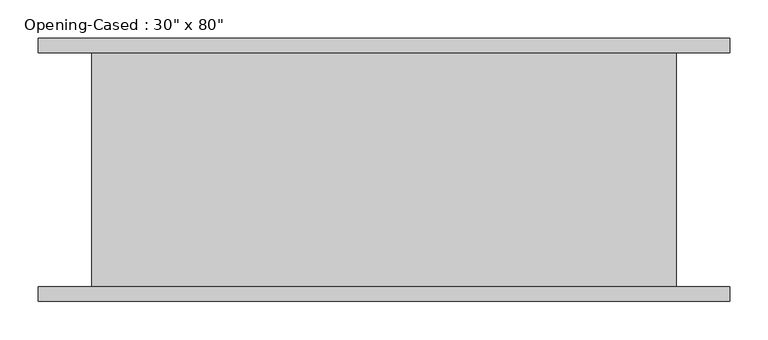
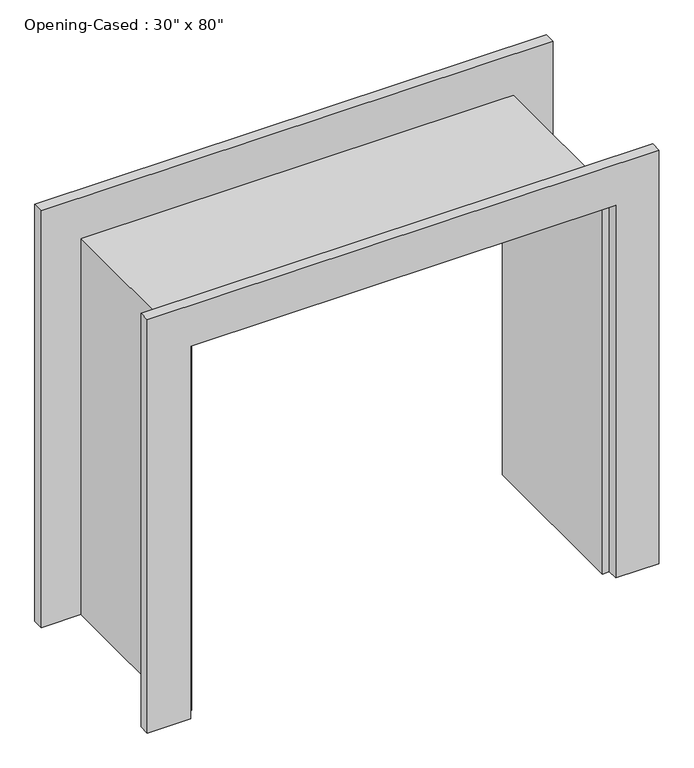
"""IFC4 building model written with IfcOpenShell, lengths in millimetres: proxy geometry."""

import ifcopenshell
import ifcopenshell.guid

model = None  # the IFC model being written
_history = None  # IfcOwnerHistory: only IFC2X3 demands one
_inside = {}  # id of a spatial element -> (the spatial element, [elements in it])
_under = {}  # id of a project, library or spatial element -> (it, [spatial elements below it])
_declared = {}  # id of a project -> (the project, [libraries it declares])
_typed = {}  # id of a type object -> (the type object, [elements of that type])
_made_of = {}  # id of a material, layer set ... -> (it, [elements and type objects made of it])


def new_model(schema):
    """Start an empty IFC model of exactly this schema.

    Asked for "IFC4X3", IfcOpenShell would pick the latest addendum, in which some entities
    have other attributes; the version numbers below select the first issue.
    IFC2X3 requires an IfcOwnerHistory on every rooted entity: one is made here for all.
    """
    global model, _history
    if schema == "IFC4X3":
        model = ifcopenshell.file(schema_version=(4, 3, 0, 0))
    else:
        model = ifcopenshell.file(schema=schema)
    _inside.clear()
    _under.clear()
    _declared.clear()
    _typed.clear()
    _made_of.clear()
    _history = None
    if model.schema == "IFC2X3":
        org = make("IfcOrganization", Name="unknown")
        user = make(
            "IfcPersonAndOrganization",
            ThePerson=make("IfcPerson", FamilyName="unknown"),
            TheOrganization=org,
        )
        app = make(
            "IfcApplication",
            ApplicationDeveloper=org,
            Version="unknown",
            ApplicationFullName="unknown",
            ApplicationIdentifier="unknown",
        )
        _history = make(
            "IfcOwnerHistory",
            OwningUser=user,
            OwningApplication=app,
            ChangeAction="ADDED",
            CreationDate=0,
        )
    return model


def make(cls, **values):
    """One entity of the class cls with the attributes given. An attribute that is None is left unset."""
    return model.create_entity(
        cls, **{name: value for name, value in values.items() if value is not None}
    )


def rooted(cls, **values):
    """An entity with a GlobalId (a new one), such as an element, a storey or a relation."""
    return make(cls, GlobalId=ifcopenshell.guid.new(), OwnerHistory=_history, **values)


def si_unit(unit_type, name, prefix=None):
    """IfcSIUnit, for example si_unit("LENGTHUNIT", "METRE", prefix="MILLI")."""
    return make("IfcSIUnit", UnitType=unit_type, Prefix=prefix, Name=name)


def assignment(units):
    """IfcUnitAssignment: the units of a project."""
    return None if units is None else make("IfcUnitAssignment", Units=units)


def point(xyz):
    """IfcCartesianPoint."""
    return None if xyz is None else make("IfcCartesianPoint", Coordinates=xyz)


def direction(xyz):
    """IfcDirection."""
    return None if xyz is None else make("IfcDirection", DirectionRatios=xyz)


def frame(location, z_axis=None, x_axis=None):
    """IfcAxis2Placement3D, a coordinate frame: its origin and axes. An axis left out is left unset."""
    return make(
        "IfcAxis2Placement3D",
        Location=point(location),
        Axis=direction(z_axis),
        RefDirection=direction(x_axis),
    )


def origin():
    """The frame at (0, 0, 0) with its axes left unset."""
    return frame((0.0, 0.0, 0.0))


def place(relative_to, where):
    """IfcLocalPlacement: puts the frame where relative to a parent placement (None: the world)."""
    return make(
        "IfcLocalPlacement", PlacementRelTo=relative_to, RelativePlacement=where
    )


def context(
    kind, dimensions, precision=None, world=None, true_north=None, identifier=None
):
    """IfcGeometricRepresentationContext, for example the 3D "Model" context."""
    return make(
        "IfcGeometricRepresentationContext",
        ContextIdentifier=identifier,
        ContextType=kind,
        CoordinateSpaceDimension=dimensions,
        Precision=precision,
        WorldCoordinateSystem=world,
        TrueNorth=true_north,
    )


def project(units=None, contexts=None):
    """IfcProject with its units and contexts."""
    return rooted(
        "IfcProject",
        Name="project",
        RepresentationContexts=contexts,
        UnitsInContext=assignment(units),
    )


def spatial(cls, under=None, at=None, **own):
    """A site, building, storey or space (cls), placed at a placement, below another one or the project."""
    s = rooted(cls, ObjectPlacement=at, **own)
    if under is not None:
        _under.setdefault(under.id(), (under, []))[1].append(s)
    return s


def polyline(points):
    """IfcPolyline through the points."""
    return make("IfcPolyline", Points=[point(p) for p in points])


def outline(outer, holes=None, kind="AREA"):
    """IfcArbitraryClosedProfileDef: a profile drawn as a closed curve; with holes, ...WithVoids."""
    if holes is None:
        return make("IfcArbitraryClosedProfileDef", ProfileType=kind, OuterCurve=outer)
    return make(
        "IfcArbitraryProfileDefWithVoids",
        ProfileType=kind,
        OuterCurve=outer,
        InnerCurves=holes,
    )


def extrude(swept, where, along, depth):
    """IfcExtrudedAreaSolid: the profile swept, set in the frame where, extruded along a direction by depth."""
    return make(
        "IfcExtrudedAreaSolid",
        SweptArea=swept,
        Position=where,
        ExtrudedDirection=direction(along),
        Depth=depth,
    )


def faces_of(points, faces, orient=None, outer=None):
    """IfcFace entities. A face is a list of loops; a loop is a list of indices into points, from 0.

    orient and outer hold one flag for each loop. By default every Orientation is true, the
    first loop of a face is its IfcFaceOuterBound and the others are IfcFaceBound.
    """
    made = []
    for i, loops in enumerate(faces):
        bounds = []
        for j, loop in enumerate(loops):
            is_outer = j == 0 if outer is None else outer[i][j]
            bounds.append(
                make(
                    "IfcFaceOuterBound" if is_outer else "IfcFaceBound",
                    Bound=make("IfcPolyLoop", Polygon=[points[k] for k in loop]),
                    Orientation=True if orient is None else orient[i][j],
                )
            )
        made.append(make("IfcFace", Bounds=bounds))
    return made


def faceted_brep(points, faces, orient=None, outer=None, voids=None):
    """IfcFacetedBrep: a solid bounded by flat faces; with voids (closed shells), ...WithVoids."""
    shared = [point(p) for p in points]
    hull = make("IfcClosedShell", CfsFaces=faces_of(shared, faces, orient, outer))
    if voids is None:
        return make("IfcFacetedBrep", Outer=hull)
    return make(
        "IfcFacetedBrepWithVoids",
        Outer=hull,
        Voids=[
            make(cls, CfsFaces=faces_of(shared, fs, o, b)) for cls, fs, o, b in voids
        ],
    )


def shape(context_of_items, identifier, shape_type, items):
    """IfcShapeRepresentation: the items that make up one representation, for example the "Body"."""
    return make(
        "IfcShapeRepresentation",
        ContextOfItems=context_of_items,
        RepresentationIdentifier=identifier,
        RepresentationType=shape_type,
        Items=items,
    )


def source(mapping_origin, context_of_items, identifier, shape_type, items):
    """IfcRepresentationMap: a shape defined once, which mapped items show again and again."""
    return make(
        "IfcRepresentationMap",
        MappingOrigin=mapping_origin,
        MappedRepresentation=shape(context_of_items, identifier, shape_type, items),
    )


def transform(
    local_origin,
    x_axis=None,
    y_axis=None,
    z_axis=None,
    scale=None,
    scale2=None,
    scale3=None,
    uniform=True,
):
    """IfcCartesianTransformationOperator3D, or its non-uniform kind. x_axis, y_axis, z_axis: its Axis1, 2, 3."""
    if uniform:
        return make(
            "IfcCartesianTransformationOperator3D",
            Axis1=direction(x_axis),
            Axis2=direction(y_axis),
            LocalOrigin=point(local_origin),
            Scale=scale,
            Axis3=direction(z_axis),
        )
    return make(
        "IfcCartesianTransformationOperator3DnonUniform",
        Axis1=direction(x_axis),
        Axis2=direction(y_axis),
        LocalOrigin=point(local_origin),
        Scale=scale,
        Axis3=direction(z_axis),
        Scale2=scale2,
        Scale3=scale3,
    )


def mapped(mapping_source, mapping_target):
    """IfcMappedItem: shows the shape of a source again, moved by a transform."""
    return make(
        "IfcMappedItem", MappingSource=mapping_source, MappingTarget=mapping_target
    )


def made_of(thing, what):
    """Note that an element or type object is made of a material, layer set ...; save() writes the relation."""
    if what is not None:
        _made_of.setdefault(what.id(), (what, []))[1].append(thing)
    return thing


def element(
    cls,
    number,
    at=None,
    inside=None,
    cuts=None,
    type_object=None,
    material=None,
    context=None,
    identifier="Body",
    shape_type=None,
    held_by="IfcProductDefinitionShape",
    body=None,
    shapes=None,
    **own,
):
    """One element of the class cls, such as IfcWall. Its Tag is "e" and its number.

    at: its placement. inside: the storey or other place that contains it. cuts: it is an
    opening in that element (IfcRelVoidsElement). A single representation is given by context,
    identifier, shape_type and body (its items); several are given by shapes. held_by: the class
    of the entity that holds the representations. save() writes the other relations.
    """
    e = rooted(cls, Tag="e%d" % number, ObjectPlacement=at, **own)
    if body is not None:
        shapes = [shape(context, identifier, shape_type, body)]
    if shapes is not None:
        e.Representation = make(held_by, Representations=shapes)
    if inside is not None:
        _inside.setdefault(inside.id(), (inside, []))[1].append(e)
    if cuts is not None:
        rooted(
            "IfcRelVoidsElement", RelatingBuildingElement=cuts, RelatedOpeningElement=e
        )
    if type_object is not None:
        _typed.setdefault(type_object.id(), (type_object, []))[1].append(e)
    return made_of(e, material)


def aggregate(whole, parts):
    """IfcRelAggregates: a whole, such as a stair, and the parts it consists of."""
    return rooted("IfcRelAggregates", RelatingObject=whole, RelatedObjects=parts)


def save(model, path):
    """Write the relations noted so far, then the file.

    IfcRelAggregates (storeys below a building ...), IfcRelContainedInSpatialStructure (elements
    in a storey), IfcRelDefinesByType, IfcRelAssociatesMaterial and IfcRelDeclares: one each for
    every whole, place, type object, material and project.
    """
    for whole, parts in _under.values():
        aggregate(whole, parts)
    for where, things in _inside.values():
        rooted(
            "IfcRelContainedInSpatialStructure",
            RelatedElements=things,
            RelatingStructure=where,
        )
    for kind, things in _typed.values():
        rooted("IfcRelDefinesByType", RelatedObjects=things, RelatingType=kind)
    for what, things in _made_of.values():
        rooted("IfcRelAssociatesMaterial", RelatedObjects=things, RelatingMaterial=what)
    for by, libraries in _declared.values():
        rooted("IfcRelDeclares", RelatingContext=by, RelatedDefinitions=libraries)
    model.write(path)


def proxy_84538617(model_context):
    return source(origin(), model_context, "Body", "SolidModel", [
        extrude(outline(polyline([(0.0, -382.8386567), (693.65, -382.8386567), (693.65, 366.4613433), (0.0, 366.4613433), (0.0, 442.6613433), (769.85, 442.6613433), (769.85, -459.0386567), (0.0, -459.0386567), (0.0, -382.8386567)])), frame((0.0, -171.45, 0.0), z_axis=(0.0, 1.0, 0.0), x_axis=(0.0, 0.0, 1.0)), (0.0, 0.0, 1.0), 19.05),
        extrude(outline(polyline([(0.0, 442.6613433), (776.2, 442.6613433), (776.2, -459.0386567), (0.0, -459.0386567), (0.0, -382.8386567), (693.65, -382.8386567), (693.65, 366.4613433), (0.0, 366.4613433), (0.0, 442.6613433)])), frame((0.0, 152.4, 0.0), z_axis=(0.0, 1.0, 0.0), x_axis=(0.0, 0.0, 1.0)), (0.0, 0.0, 1.0), 19.05),
        faceted_brep([(353.7613433, 152.4, 0.0), (372.8113433, 152.4, 0.0), (372.8113433, -152.4, 0.0), (353.7613433, -152.4, 0.0), (353.7613433, 152.4, 680.95), (372.8113433, 152.4, 700.0), (372.8113433, -152.4, 700.0), (353.7613433, -152.4, 680.95), (-370.1386567, 152.4, 680.95), (-389.1886567, 152.4, 700.0), (-389.1886567, -152.4, 700.0), (-370.1386567, -152.4, 680.95), (-370.1386567, 152.4, 0.0), (-370.1386567, -152.4, 0.0), (-389.1886567, -152.4, 0.0), (-389.1886567, 152.4, 0.0)], [[[0, 1, 2, 3]], [[1, 0, 4, 5]], [[2, 1, 5, 6]], [[3, 2, 6, 7]], [[0, 3, 7, 4]], [[5, 4, 8, 9]], [[6, 5, 9, 10]], [[7, 6, 10, 11]], [[4, 7, 11, 8]], [[12, 13, 14, 15]], [[9, 8, 12, 15]], [[10, 9, 15, 14]], [[11, 10, 14, 13]], [[8, 11, 13, 12]]]),
    ])


if __name__ == "__main__":
    model = new_model("IFC4")
    model_context = context("Model", 3, world=origin())
    ifc_project = project(units=[si_unit("LENGTHUNIT", "METRE", prefix="MILLI")], contexts=[model_context])
    site = spatial("IfcSite", under=ifc_project)
    building = spatial("IfcBuilding", under=site)
    placement = place(None, origin())
    proxy_shape = proxy_84538617(model_context)
    element("IfcBuildingElementProxy", 1, Name="Opening-Cased : 30\" x 80\"", ObjectType="Opening-Cased : 30\" x 80\"", at=placement, inside=building, context=model_context, shape_type="MappedRepresentation", body=[
        mapped(proxy_shape, transform((0.0, 0.0, 0.0), x_axis=(1.0, 0.0, 0.0), y_axis=(0.0, 1.0, 0.0), z_axis=(0.0, 0.0, 1.0))),
    ])
    save(model, "model.ifc")
